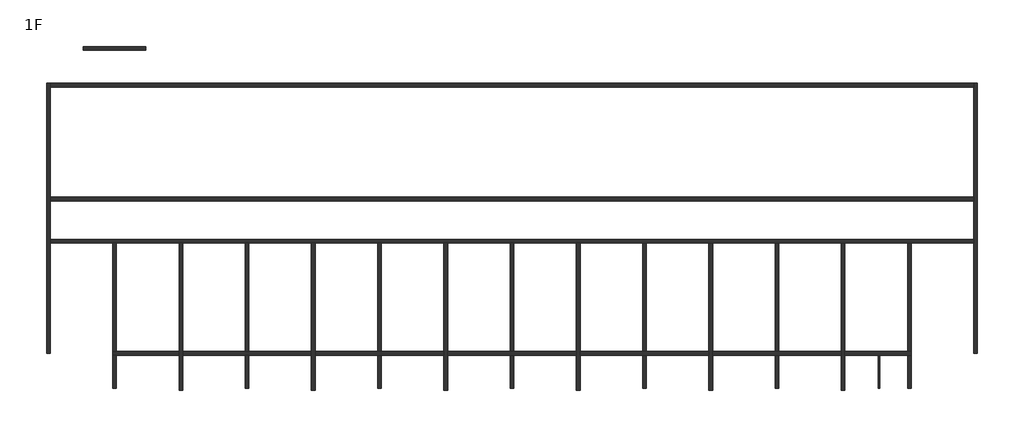
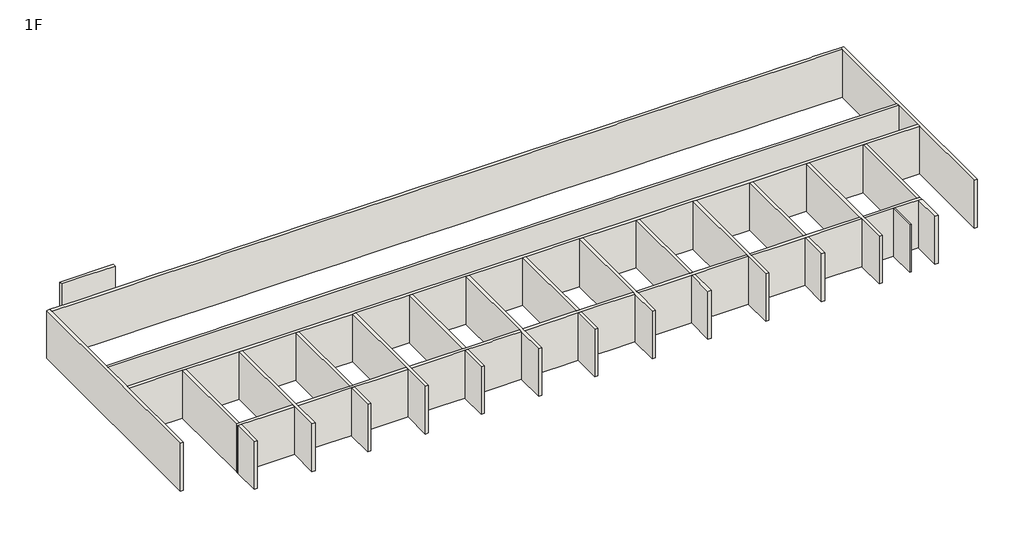
# One storey: 23 walls.
"""IFC4 building model written with IfcOpenShell, lengths in millimetres."""

from ifc_helpers import new_model, si_unit, origin, origin_with_axes, place, context, project, spatial, polyline, outline, extrude, faceted_brep, element, save

model = new_model("IFC4")

# Units and contexts
model_context = context("Model", 3, world=origin())
ifc_project = project(units=[si_unit("LENGTHUNIT", "METRE", prefix="MILLI")], contexts=[model_context])

# Site, building, storey
site = spatial("IfcSite", under=ifc_project)
building = spatial("IfcBuilding", under=site)
storey = spatial("IfcBuildingStorey", under=building, Name="1F", Elevation=0.0)

# Walls
placement = place(None, origin())
element("IfcWall", 1, at=placement, inside=storey, context=model_context, shape_type="Brep", body=[
    faceted_brep([(100.0, 6300.0, 0.0), (100.0, 12300.0, 0.0), (100.0, 12500.0, 0.0), (100.0, 14600.0, 0.0), (100.0, 14800.0, 0.0), (100.0, 20800.0, 0.0), (100.0, 21000.0, 0.0), (100.0, 21000.0, 3200.0082667), (100.0, 20800.0, 3200.0082667), (100.0, 14800.0, 3200.0082667), (100.0, 14600.0, 3200.0082667), (100.0, 12500.0, 3200.0082667), (100.0, 12300.0, 3200.0082667), (100.0, 6300.0, 3200.0082667), (-100.0, 6300.0, 0.0), (-100.0, 6300.0, 3200.0082667), (-100.0, 21000.0, 3200.0082667), (-100.0, 21000.0, 0.0)], [[[0, 1, 2, 3, 4, 5, 6, 7, 8, 9, 10, 11, 12, 13]], [[14, 15, 16, 17]], [[6, 5, 4, 3, 2, 1, 0, 14, 17]], [[13, 12, 11, 10, 9, 8, 7, 16, 15]], [[7, 6, 17, 16]], [[0, 13, 15, 14]]]),
])
element("IfcWall", 2, at=placement, inside=storey, context=model_context, shape_type="Brep", body=[
    faceted_brep([(7300.0, 4300.0, 0.0), (7300.0, 6200.0, 0.0), (7300.0, 6400.0, 0.0), (7300.0, 12300.0, 0.0), (7300.0, 12300.0, 3200.0082667), (7300.0, 6400.0, 3200.0082667), (7300.0, 6200.0, 3200.0082667), (7300.0, 4300.0, 3200.0082667), (7100.0, 4300.0, 0.0), (7100.0, 4300.0, 3200.0082667), (7100.0, 6200.0, 3200.0082667), (7100.0, 6400.0, 3200.0082667), (7100.0, 12300.0, 3200.0082667), (7100.0, 12300.0, 0.0), (7100.0, 6400.0, 0.0), (7100.0, 6200.0, 0.0)], [[[0, 1, 2, 3, 4, 5, 6, 7]], [[8, 9, 10, 11, 12, 13, 14, 15]], [[3, 2, 1, 0, 8, 15, 14, 13]], [[7, 6, 5, 4, 12, 11, 10, 9]], [[0, 7, 9, 8]], [[4, 3, 13, 12]]]),
])
element("IfcWall", 3, at=placement, inside=storey, context=model_context, shape_type="Brep", body=[
    faceted_brep([(14500.0, 4300.0, 0.0), (14500.0, 6200.0, 0.0), (14500.0, 6400.0, 0.0), (14500.0, 12300.0, 0.0), (14500.0, 12300.0, 3200.0082667), (14500.0, 6400.0, 3200.0082667), (14500.0, 6200.0, 3200.0082667), (14500.0, 4300.0, 3200.0082667), (14300.0, 4300.0, 0.0), (14300.0, 4300.0, 3200.0082667), (14300.0, 6200.0, 3200.0082667), (14300.0, 6400.0, 3200.0082667), (14300.0, 12300.0, 3200.0082667), (14300.0, 12300.0, 0.0), (14300.0, 6400.0, 0.0), (14300.0, 6200.0, 0.0)], [[[0, 1, 2, 3, 4, 5, 6, 7]], [[8, 9, 10, 11, 12, 13, 14, 15]], [[3, 2, 1, 0, 8, 15, 14, 13]], [[7, 6, 5, 4, 12, 11, 10, 9]], [[0, 7, 9, 8]], [[4, 3, 13, 12]]]),
])
element("IfcWall", 4, at=placement, inside=storey, context=model_context, shape_type="Brep", body=[
    faceted_brep([(21700.0, 4300.0, 0.0), (21700.0, 6200.0, 0.0), (21700.0, 6400.0, 0.0), (21700.0, 12300.0, 0.0), (21700.0, 12300.0, 3200.0082667), (21700.0, 6400.0, 3200.0082667), (21700.0, 6200.0, 3200.0082667), (21700.0, 4300.0, 3200.0082667), (21500.0, 4300.0, 0.0), (21500.0, 4300.0, 3200.0082667), (21500.0, 6200.0, 3200.0082667), (21500.0, 6400.0, 3200.0082667), (21500.0, 12300.0, 3200.0082667), (21500.0, 12300.0, 0.0), (21500.0, 6400.0, 0.0), (21500.0, 6200.0, 0.0)], [[[0, 1, 2, 3, 4, 5, 6, 7]], [[8, 9, 10, 11, 12, 13, 14, 15]], [[3, 2, 1, 0, 8, 15, 14, 13]], [[7, 6, 5, 4, 12, 11, 10, 9]], [[0, 7, 9, 8]], [[4, 3, 13, 12]]]),
])
element("IfcWall", 5, at=placement, inside=storey, context=model_context, shape_type="Brep", body=[
    faceted_brep([(28900.0, 4300.0, 0.0), (28900.0, 6200.0, 0.0), (28900.0, 6400.0, 0.0), (28900.0, 12300.0, 0.0), (28900.0, 12300.0, 3200.0082667), (28900.0, 6400.0, 3200.0082667), (28900.0, 6200.0, 3200.0082667), (28900.0, 4300.0, 3200.0082667), (28700.0, 4300.0, 0.0), (28700.0, 4300.0, 3200.0082667), (28700.0, 6200.0, 3200.0082667), (28700.0, 6400.0, 3200.0082667), (28700.0, 12300.0, 3200.0082667), (28700.0, 12300.0, 0.0), (28700.0, 6400.0, 0.0), (28700.0, 6200.0, 0.0)], [[[0, 1, 2, 3, 4, 5, 6, 7]], [[8, 9, 10, 11, 12, 13, 14, 15]], [[3, 2, 1, 0, 8, 15, 14, 13]], [[7, 6, 5, 4, 12, 11, 10, 9]], [[0, 7, 9, 8]], [[4, 3, 13, 12]]]),
])
element("IfcWall", 6, at=placement, inside=storey, context=model_context, shape_type="Brep", body=[
    faceted_brep([(36100.0, 4300.0, 0.0), (36100.0, 6200.0, 0.0), (36100.0, 6400.0, 0.0), (36100.0, 12300.0, 0.0), (36100.0, 12300.0, 3200.0082667), (36100.0, 6400.0, 3200.0082667), (36100.0, 6200.0, 3200.0082667), (36100.0, 4300.0, 3200.0082667), (35900.0, 4300.0, 0.0), (35900.0, 4300.0, 3200.0082667), (35900.0, 6200.0, 3200.0082667), (35900.0, 6400.0, 3200.0082667), (35900.0, 12300.0, 3200.0082667), (35900.0, 12300.0, 0.0), (35900.0, 6400.0, 0.0), (35900.0, 6200.0, 0.0)], [[[0, 1, 2, 3, 4, 5, 6, 7]], [[8, 9, 10, 11, 12, 13, 14, 15]], [[3, 2, 1, 0, 8, 15, 14, 13]], [[7, 6, 5, 4, 12, 11, 10, 9]], [[0, 7, 9, 8]], [[4, 3, 13, 12]]]),
])
element("IfcWall", 7, at=placement, inside=storey, context=model_context, shape_type="Brep", body=[
    faceted_brep([(43300.0, 4300.0, 0.0), (43300.0, 6200.0, 0.0), (43300.0, 6400.0, 0.0), (43300.0, 12300.0, 0.0), (43300.0, 12300.0, 3200.0082667), (43300.0, 6400.0, 3200.0082667), (43300.0, 6200.0, 3200.0082667), (43300.0, 4300.0, 3200.0082667), (43100.0, 4300.0, 0.0), (43100.0, 4300.0, 3200.0082667), (43100.0, 6200.0, 3200.0082667), (43100.0, 6400.0, 3200.0082667), (43100.0, 12300.0, 3200.0082667), (43100.0, 12300.0, 0.0), (43100.0, 6400.0, 0.0), (43100.0, 6200.0, 0.0)], [[[0, 1, 2, 3, 4, 5, 6, 7]], [[8, 9, 10, 11, 12, 13, 14, 15]], [[3, 2, 1, 0, 8, 15, 14, 13]], [[7, 6, 5, 4, 12, 11, 10, 9]], [[0, 7, 9, 8]], [[4, 3, 13, 12]]]),
])
element("IfcWall", 8, at=placement, inside=storey, context=model_context, shape_type="Brep", body=[
    faceted_brep([(50500.0, 6300.0, 0.0), (50500.0, 21000.0, 0.0), (50500.0, 21000.0, 3200.0082667), (50500.0, 6300.0, 3200.0082667), (50300.0, 6300.0, 0.0), (50300.0, 6300.0, 3200.0082667), (50300.0, 12300.0, 3200.0082667), (50300.0, 12500.0, 3200.0082667), (50300.0, 14600.0, 3200.0082667), (50300.0, 14800.0, 3200.0082667), (50300.0, 20800.0, 3200.0082667), (50300.0, 21000.0, 3200.0082667), (50300.0, 21000.0, 0.0), (50300.0, 20800.0, 0.0), (50300.0, 14800.0, 0.0), (50300.0, 14600.0, 0.0), (50300.0, 12500.0, 0.0), (50300.0, 12300.0, 0.0)], [[[0, 1, 2, 3]], [[4, 5, 6, 7, 8, 9, 10, 11, 12, 13, 14, 15, 16, 17]], [[1, 0, 4, 17, 16, 15, 14, 13, 12]], [[3, 2, 11, 10, 9, 8, 7, 6, 5]], [[2, 1, 12, 11]], [[0, 3, 5, 4]]]),
])
element("IfcWall", 9, at=placement, inside=storey, context=model_context, shape_type="Brep", body=[
    faceted_brep([(100.0, 12300.0, 0.0), (3500.0, 12300.0, 0.0), (3700.0, 12300.0, 0.0), (7100.0, 12300.0, 0.0), (7300.0, 12300.0, 0.0), (10700.0, 12300.0, 0.0), (10900.0, 12300.0, 0.0), (14300.0, 12300.0, 0.0), (14500.0, 12300.0, 0.0), (17900.0, 12300.0, 0.0), (18100.0, 12300.0, 0.0), (21500.0, 12300.0, 0.0), (21700.0, 12300.0, 0.0), (25100.0, 12300.0, 0.0), (25300.0, 12300.0, 0.0), (28700.0, 12300.0, 0.0), (28900.0, 12300.0, 0.0), (32300.0, 12300.0, 0.0), (32500.0, 12300.0, 0.0), (35900.0, 12300.0, 0.0), (36100.0, 12300.0, 0.0), (39500.0, 12300.0, 0.0), (39700.0, 12300.0, 0.0), (43100.0, 12300.0, 0.0), (43300.0, 12300.0, 0.0), (46700.0, 12300.0, 0.0), (46900.0, 12300.0, 0.0), (50300.0, 12300.0, 0.0), (50300.0, 12300.0, 3200.0082667), (46900.0, 12300.0, 3200.0082667), (46700.0, 12300.0, 3200.0082667), (43300.0, 12300.0, 3200.0082667), (43100.0, 12300.0, 3200.0082667), (39700.0, 12300.0, 3200.0082667), (39500.0, 12300.0, 3200.0082667), (36100.0, 12300.0, 3200.0082667), (35900.0, 12300.0, 3200.0082667), (32500.0, 12300.0, 3200.0082667), (32300.0, 12300.0, 3200.0082667), (28900.0, 12300.0, 3200.0082667), (28700.0, 12300.0, 3200.0082667), (25300.0, 12300.0, 3200.0082667), (25100.0, 12300.0, 3200.0082667), (21700.0, 12300.0, 3200.0082667), (21500.0, 12300.0, 3200.0082667), (18100.0, 12300.0, 3200.0082667), (17900.0, 12300.0, 3200.0082667), (14500.0, 12300.0, 3200.0082667), (14300.0, 12300.0, 3200.0082667), (10900.0, 12300.0, 3200.0082667), (10700.0, 12300.0, 3200.0082667), (7300.0, 12300.0, 3200.0082667), (7100.0, 12300.0, 3200.0082667), (3700.0, 12300.0, 3200.0082667), (3500.0, 12300.0, 3200.0082667), (100.0, 12300.0, 3200.0082667), (100.0, 12500.0, 0.0), (100.0, 12500.0, 3200.0082667), (50300.0, 12500.0, 3200.0082667), (50300.0, 12500.0, 0.0)], [[[0, 1, 2, 3, 4, 5, 6, 7, 8, 9, 10, 11, 12, 13, 14, 15, 16, 17, 18, 19, 20, 21, 22, 23, 24, 25, 26, 27, 28, 29, 30, 31, 32, 33, 34, 35, 36, 37, 38, 39, 40, 41, 42, 43, 44, 45, 46, 47, 48, 49, 50, 51, 52, 53, 54, 55]], [[56, 57, 58, 59]], [[27, 26, 25, 24, 23, 22, 21, 20, 19, 18, 17, 16, 15, 14, 13, 12, 11, 10, 9, 8, 7, 6, 5, 4, 3, 2, 1, 0, 56, 59]], [[55, 54, 53, 52, 51, 50, 49, 48, 47, 46, 45, 44, 43, 42, 41, 40, 39, 38, 37, 36, 35, 34, 33, 32, 31, 30, 29, 28, 58, 57]], [[0, 55, 57, 56]], [[28, 27, 59, 58]]]),
])
element("IfcWall", 10, at=placement, inside=storey, context=model_context, shape_type="Brep", body=[
    faceted_brep([(100.0, 14600.0, 0.0), (50300.0, 14600.0, 0.0), (50300.0, 14600.0, 3200.0082667), (100.0, 14600.0, 3200.0082667), (100.0, 14800.0, 0.0), (100.0, 14800.0, 3200.0082667), (3500.0, 14800.0, 3200.0082667), (3700.0, 14800.0, 3200.0082667), (7100.0, 14800.0, 3200.0082667), (7300.0, 14800.0, 3200.0082667), (10700.0, 14800.0, 3200.0082667), (10900.0, 14800.0, 3200.0082667), (14300.0, 14800.0, 3200.0082667), (14500.0, 14800.0, 3200.0082667), (17900.0, 14800.0, 3200.0082667), (18100.0, 14800.0, 3200.0082667), (21500.0, 14800.0, 3200.0082667), (21700.0, 14800.0, 3200.0082667), (25100.0, 14800.0, 3200.0082667), (25300.0, 14800.0, 3200.0082667), (28700.0, 14800.0, 3200.0082667), (28900.0, 14800.0, 3200.0082667), (32300.0, 14800.0, 3200.0082667), (32500.0, 14800.0, 3200.0082667), (35900.0, 14800.0, 3200.0082667), (36100.0, 14800.0, 3200.0082667), (39500.0, 14800.0, 3200.0082667), (39700.0, 14800.0, 3200.0082667), (43100.0, 14800.0, 3200.0082667), (43300.0, 14800.0, 3200.0082667), (46700.0, 14800.0, 3200.0082667), (46900.0, 14800.0, 3200.0082667), (50300.0, 14800.0, 3200.0082667), (50300.0, 14800.0, 0.0), (46900.0, 14800.0, 0.0), (46700.0, 14800.0, 0.0), (43300.0, 14800.0, 0.0), (43100.0, 14800.0, 0.0), (39700.0, 14800.0, 0.0), (39500.0, 14800.0, 0.0), (36100.0, 14800.0, 0.0), (35900.0, 14800.0, 0.0), (32500.0, 14800.0, 0.0), (32300.0, 14800.0, 0.0), (28900.0, 14800.0, 0.0), (28700.0, 14800.0, 0.0), (25300.0, 14800.0, 0.0), (25100.0, 14800.0, 0.0), (21700.0, 14800.0, 0.0), (21500.0, 14800.0, 0.0), (18100.0, 14800.0, 0.0), (17900.0, 14800.0, 0.0), (14500.0, 14800.0, 0.0), (14300.0, 14800.0, 0.0), (10900.0, 14800.0, 0.0), (10700.0, 14800.0, 0.0), (7300.0, 14800.0, 0.0), (7100.0, 14800.0, 0.0), (3700.0, 14800.0, 0.0), (3500.0, 14800.0, 0.0)], [[[0, 1, 2, 3]], [[4, 5, 6, 7, 8, 9, 10, 11, 12, 13, 14, 15, 16, 17, 18, 19, 20, 21, 22, 23, 24, 25, 26, 27, 28, 29, 30, 31, 32, 33, 34, 35, 36, 37, 38, 39, 40, 41, 42, 43, 44, 45, 46, 47, 48, 49, 50, 51, 52, 53, 54, 55, 56, 57, 58, 59]], [[1, 0, 4, 59, 58, 57, 56, 55, 54, 53, 52, 51, 50, 49, 48, 47, 46, 45, 44, 43, 42, 41, 40, 39, 38, 37, 36, 35, 34, 33]], [[3, 2, 32, 31, 30, 29, 28, 27, 26, 25, 24, 23, 22, 21, 20, 19, 18, 17, 16, 15, 14, 13, 12, 11, 10, 9, 8, 7, 6, 5]], [[0, 3, 5, 4]], [[2, 1, 33, 32]]]),
])
element("IfcWall", 11, at=placement, inside=storey, context=model_context, shape_type="Brep", body=[
    faceted_brep([(100.0, 20800.0, 0.0), (3500.0, 20800.0, 0.0), (3700.0, 20800.0, 0.0), (7100.0, 20800.0, 0.0), (7300.0, 20800.0, 0.0), (10700.0, 20800.0, 0.0), (10900.0, 20800.0, 0.0), (14300.0, 20800.0, 0.0), (14500.0, 20800.0, 0.0), (17900.0, 20800.0, 0.0), (18100.0, 20800.0, 0.0), (21500.0, 20800.0, 0.0), (21700.0, 20800.0, 0.0), (25100.0, 20800.0, 0.0), (25300.0, 20800.0, 0.0), (28700.0, 20800.0, 0.0), (28900.0, 20800.0, 0.0), (32300.0, 20800.0, 0.0), (32500.0, 20800.0, 0.0), (35900.0, 20800.0, 0.0), (36100.0, 20800.0, 0.0), (39500.0, 20800.0, 0.0), (39700.0, 20800.0, 0.0), (43100.0, 20800.0, 0.0), (43300.0, 20800.0, 0.0), (46700.0, 20800.0, 0.0), (46900.0, 20800.0, 0.0), (50300.0, 20800.0, 0.0), (50300.0, 20800.0, 3200.0082667), (46900.0, 20800.0, 3200.0082667), (46700.0, 20800.0, 3200.0082667), (43300.0, 20800.0, 3200.0082667), (43100.0, 20800.0, 3200.0082667), (39700.0, 20800.0, 3200.0082667), (39500.0, 20800.0, 3200.0082667), (36100.0, 20800.0, 3200.0082667), (35900.0, 20800.0, 3200.0082667), (32500.0, 20800.0, 3200.0082667), (32300.0, 20800.0, 3200.0082667), (28900.0, 20800.0, 3200.0082667), (28700.0, 20800.0, 3200.0082667), (25300.0, 20800.0, 3200.0082667), (25100.0, 20800.0, 3200.0082667), (21700.0, 20800.0, 3200.0082667), (21500.0, 20800.0, 3200.0082667), (18100.0, 20800.0, 3200.0082667), (17900.0, 20800.0, 3200.0082667), (14500.0, 20800.0, 3200.0082667), (14300.0, 20800.0, 3200.0082667), (10900.0, 20800.0, 3200.0082667), (10700.0, 20800.0, 3200.0082667), (7300.0, 20800.0, 3200.0082667), (7100.0, 20800.0, 3200.0082667), (3700.0, 20800.0, 3200.0082667), (3500.0, 20800.0, 3200.0082667), (100.0, 20800.0, 3200.0082667), (100.0, 21000.0, 0.0), (100.0, 21000.0, 3200.0082667), (1900.0, 21000.0, 3200.0082667), (2000.0, 21000.0, 3200.0082667), (3500.0, 21000.0, 3200.0082667), (3700.0, 21000.0, 3200.0082667), (5200.0, 21000.0, 3200.0082667), (5300.0, 21000.0, 3200.0082667), (7100.0, 21000.0, 3200.0082667), (7300.0, 21000.0, 3200.0082667), (9100.0, 21000.0, 3200.0082667), (9200.0, 21000.0, 3200.0082667), (10700.0, 21000.0, 3200.0082667), (10900.0, 21000.0, 3200.0082667), (12400.0, 21000.0, 3200.0082667), (12500.0, 21000.0, 3200.0082667), (14300.0, 21000.0, 3200.0082667), (14500.0, 21000.0, 3200.0082667), (16300.0, 21000.0, 3200.0082667), (16400.0, 21000.0, 3200.0082667), (17900.0, 21000.0, 3200.0082667), (18100.0, 21000.0, 3200.0082667), (19600.0, 21000.0, 3200.0082667), (19700.0, 21000.0, 3200.0082667), (21500.0, 21000.0, 3200.0082667), (21700.0, 21000.0, 3200.0082667), (23500.0, 21000.0, 3200.0082667), (23600.0, 21000.0, 3200.0082667), (25100.0, 21000.0, 3200.0082667), (25300.0, 21000.0, 3200.0082667), (26800.0, 21000.0, 3200.0082667), (26900.0, 21000.0, 3200.0082667), (28700.0, 21000.0, 3200.0082667), (28900.0, 21000.0, 3200.0082667), (30700.0, 21000.0, 3200.0082667), (30800.0, 21000.0, 3200.0082667), (32300.0, 21000.0, 3200.0082667), (32500.0, 21000.0, 3200.0082667), (34000.0, 21000.0, 3200.0082667), (34100.0, 21000.0, 3200.0082667), (35900.0, 21000.0, 3200.0082667), (36100.0, 21000.0, 3200.0082667), (37900.0, 21000.0, 3200.0082667), (38000.0, 21000.0, 3200.0082667), (39500.0, 21000.0, 3200.0082667), (39700.0, 21000.0, 3200.0082667), (41200.0, 21000.0, 3200.0082667), (41300.0, 21000.0, 3200.0082667), (43100.0, 21000.0, 3200.0082667), (43300.0, 21000.0, 3200.0082667), (45100.0, 21000.0, 3200.0082667), (45200.0, 21000.0, 3200.0082667), (46700.0, 21000.0, 3200.0082667), (46900.0, 21000.0, 3200.0082667), (48400.0, 21000.0, 3200.0082667), (48500.0, 21000.0, 3200.0082667), (50300.0, 21000.0, 3200.0082667), (50300.0, 21000.0, 0.0), (48500.0, 21000.0, 0.0), (48400.0, 21000.0, 0.0), (46900.0, 21000.0, 0.0), (46700.0, 21000.0, 0.0), (45200.0, 21000.0, 0.0), (45100.0, 21000.0, 0.0), (43300.0, 21000.0, 0.0), (43100.0, 21000.0, 0.0), (41300.0, 21000.0, 0.0), (41200.0, 21000.0, 0.0), (39700.0, 21000.0, 0.0), (39500.0, 21000.0, 0.0), (38000.0, 21000.0, 0.0), (37900.0, 21000.0, 0.0), (36100.0, 21000.0, 0.0), (35900.0, 21000.0, 0.0), (34100.0, 21000.0, 0.0), (34000.0, 21000.0, 0.0), (32500.0, 21000.0, 0.0), (32300.0, 21000.0, 0.0), (30800.0, 21000.0, 0.0), (30700.0, 21000.0, 0.0), (28900.0, 21000.0, 0.0), (28700.0, 21000.0, 0.0), (26900.0, 21000.0, 0.0), (26800.0, 21000.0, 0.0), (25300.0, 21000.0, 0.0), (25100.0, 21000.0, 0.0), (23600.0, 21000.0, 0.0), (23500.0, 21000.0, 0.0), (21700.0, 21000.0, 0.0), (21500.0, 21000.0, 0.0), (19700.0, 21000.0, 0.0), (19600.0, 21000.0, 0.0), (18100.0, 21000.0, 0.0), (17900.0, 21000.0, 0.0), (16400.0, 21000.0, 0.0), (16300.0, 21000.0, 0.0), (14500.0, 21000.0, 0.0), (14300.0, 21000.0, 0.0), (12500.0, 21000.0, 0.0), (12400.0, 21000.0, 0.0), (10900.0, 21000.0, 0.0), (10700.0, 21000.0, 0.0), (9200.0, 21000.0, 0.0), (9100.0, 21000.0, 0.0), (7300.0, 21000.0, 0.0), (7100.0, 21000.0, 0.0), (5300.0, 21000.0, 0.0), (5200.0, 21000.0, 0.0), (3700.0, 21000.0, 0.0), (3500.0, 21000.0, 0.0), (2000.0, 21000.0, 0.0), (1900.0, 21000.0, 0.0)], [[[0, 1, 2, 3, 4, 5, 6, 7, 8, 9, 10, 11, 12, 13, 14, 15, 16, 17, 18, 19, 20, 21, 22, 23, 24, 25, 26, 27, 28, 29, 30, 31, 32, 33, 34, 35, 36, 37, 38, 39, 40, 41, 42, 43, 44, 45, 46, 47, 48, 49, 50, 51, 52, 53, 54, 55]], [[56, 57, 58, 59, 60, 61, 62, 63, 64, 65, 66, 67, 68, 69, 70, 71, 72, 73, 74, 75, 76, 77, 78, 79, 80, 81, 82, 83, 84, 85, 86, 87, 88, 89, 90, 91, 92, 93, 94, 95, 96, 97, 98, 99, 100, 101, 102, 103, 104, 105, 106, 107, 108, 109, 110, 111, 112, 113, 114, 115, 116, 117, 118, 119, 120, 121, 122, 123, 124, 125, 126, 127, 128, 129, 130, 131, 132, 133, 134, 135, 136, 137, 138, 139, 140, 141, 142, 143, 144, 145, 146, 147, 148, 149, 150, 151, 152, 153, 154, 155, 156, 157, 158, 159, 160, 161, 162, 163, 164, 165, 166, 167]], [[27, 26, 25, 24, 23, 22, 21, 20, 19, 18, 17, 16, 15, 14, 13, 12, 11, 10, 9, 8, 7, 6, 5, 4, 3, 2, 1, 0, 56, 167, 166, 165, 164, 163, 162, 161, 160, 159, 158, 157, 156, 155, 154, 153, 152, 151, 150, 149, 148, 147, 146, 145, 144, 143, 142, 141, 140, 139, 138, 137, 136, 135, 134, 133, 132, 131, 130, 129, 128, 127, 126, 125, 124, 123, 122, 121, 120, 119, 118, 117, 116, 115, 114, 113]], [[55, 54, 53, 52, 51, 50, 49, 48, 47, 46, 45, 44, 43, 42, 41, 40, 39, 38, 37, 36, 35, 34, 33, 32, 31, 30, 29, 28, 112, 111, 110, 109, 108, 107, 106, 105, 104, 103, 102, 101, 100, 99, 98, 97, 96, 95, 94, 93, 92, 91, 90, 89, 88, 87, 86, 85, 84, 83, 82, 81, 80, 79, 78, 77, 76, 75, 74, 73, 72, 71, 70, 69, 68, 67, 66, 65, 64, 63, 62, 61, 60, 59, 58, 57]], [[0, 55, 57, 56]], [[28, 27, 113, 112]]]),
])
element("IfcWall", 12, at=placement, inside=storey, context=model_context, shape_type="Brep", body=[
    faceted_brep([(3700.0, 4400.0, 0.0), (3700.0, 6200.0, 0.0), (3700.0, 6200.0, 3200.0082667), (3700.0, 4400.0, 3200.0082667), (3500.0, 4400.0, 0.0), (3500.0, 4400.0, 3200.0082667), (3500.0, 6100.0, 3200.0082667), (3500.0, 6200.0, 3200.0082667), (3500.0, 6200.0, 0.0), (3500.0, 6100.0, 0.0)], [[[0, 1, 2, 3]], [[4, 5, 6, 7, 8, 9]], [[1, 0, 4, 9, 8]], [[3, 2, 7, 6, 5]], [[0, 3, 5, 4]], [[2, 1, 8, 7]]]),
])
element("IfcWall", 13, at=placement, inside=storey, context=model_context, shape_type="SweptSolid", body=[
    extrude(outline(polyline([(10900.0, 4400.0), (10700.0, 4400.0), (10700.0, 6200.0), (10900.0, 6200.0), (10900.0, 4400.0)])), origin_with_axes(), (0.0, 0.0, 1.0), 3200.0082667),
    extrude(outline(polyline([(10700.0, 12300.0), (10900.0, 12300.0), (10900.0, 6400.0), (10700.0, 6400.0), (10700.0, 12300.0)])), origin_with_axes(), (0.0, 0.0, 1.0), 3200.0082667),
])
element("IfcWall", 14, at=placement, inside=storey, context=model_context, shape_type="SweptSolid", body=[
    extrude(outline(polyline([(18100.0, 4400.0), (17900.0, 4400.0), (17900.0, 6200.0), (18100.0, 6200.0), (18100.0, 4400.0)])), origin_with_axes(), (0.0, 0.0, 1.0), 3200.0082667),
    extrude(outline(polyline([(17900.0, 12300.0), (18100.0, 12300.0), (18100.0, 6400.0), (17900.0, 6400.0), (17900.0, 12300.0)])), origin_with_axes(), (0.0, 0.0, 1.0), 3200.0082667),
])
element("IfcWall", 15, at=placement, inside=storey, context=model_context, shape_type="SweptSolid", body=[
    extrude(outline(polyline([(25300.0, 4400.0), (25100.0, 4400.0), (25100.0, 6200.0), (25300.0, 6200.0), (25300.0, 4400.0)])), origin_with_axes(), (0.0, 0.0, 1.0), 3200.0082667),
    extrude(outline(polyline([(25100.0, 12300.0), (25300.0, 12300.0), (25300.0, 6400.0), (25100.0, 6400.0), (25100.0, 12300.0)])), origin_with_axes(), (0.0, 0.0, 1.0), 3200.0082667),
])
element("IfcWall", 16, at=placement, inside=storey, context=model_context, shape_type="SweptSolid", body=[
    extrude(outline(polyline([(32500.0, 4400.0), (32300.0, 4400.0), (32300.0, 6200.0), (32500.0, 6200.0), (32500.0, 4400.0)])), origin_with_axes(), (0.0, 0.0, 1.0), 3200.0082667),
    extrude(outline(polyline([(32300.0, 12300.0), (32500.0, 12300.0), (32500.0, 6400.0), (32300.0, 6400.0), (32300.0, 12300.0)])), origin_with_axes(), (0.0, 0.0, 1.0), 3200.0082667),
])
element("IfcWall", 17, at=placement, inside=storey, context=model_context, shape_type="SweptSolid", body=[
    extrude(outline(polyline([(39700.0, 4400.0), (39500.0, 4400.0), (39500.0, 6200.0), (39700.0, 6200.0), (39700.0, 4400.0)])), origin_with_axes(), (0.0, 0.0, 1.0), 3200.0082667),
    extrude(outline(polyline([(39500.0, 12300.0), (39700.0, 12300.0), (39700.0, 6400.0), (39500.0, 6400.0), (39500.0, 12300.0)])), origin_with_axes(), (0.0, 0.0, 1.0), 3200.0082667),
])
element("IfcWall", 18, at=placement, inside=storey, context=model_context, shape_type="Brep", body=[
    faceted_brep([(46900.0, 4400.0, 0.0), (46900.0, 6100.0, 0.0), (46900.0, 6200.0, 0.0), (46900.0, 6200.0, 3200.0082667), (46900.0, 6100.0, 3200.0082667), (46900.0, 4400.0, 3200.0082667), (46700.0, 4400.0, 0.0), (46700.0, 4400.0, 3200.0082667), (46700.0, 6200.0, 3200.0082667), (46700.0, 6200.0, 0.0)], [[[0, 1, 2, 3, 4, 5]], [[6, 7, 8, 9]], [[2, 1, 0, 6, 9]], [[5, 4, 3, 8, 7]], [[0, 5, 7, 6]], [[3, 2, 9, 8]]]),
])
element("IfcWall", 19, at=placement, inside=storey, context=model_context, shape_type="Brep", body=[
    faceted_brep([(1900.0, 22800.0, 0.0), (2000.0, 22800.0, 0.0), (3500.0, 22800.0, 0.0), (3700.0, 22800.0, 0.0), (5200.0, 22800.0, 0.0), (5300.0, 22800.0, 0.0), (5300.0, 22800.0, 3200.0082667), (5200.0, 22800.0, 3200.0082667), (3700.0, 22800.0, 3200.0082667), (3500.0, 22800.0, 3200.0082667), (2000.0, 22800.0, 3200.0082667), (1900.0, 22800.0, 3200.0082667), (1900.0, 23000.0, 0.0), (1900.0, 23000.0, 3200.0082667), (5300.0, 23000.0, 3200.0082667), (5300.0, 23000.0, 0.0)], [[[0, 1, 2, 3, 4, 5, 6, 7, 8, 9, 10, 11]], [[12, 13, 14, 15]], [[5, 4, 3, 2, 1, 0, 12, 15]], [[11, 10, 9, 8, 7, 6, 14, 13]], [[6, 5, 15, 14]], [[0, 11, 13, 12]]]),
])
element("IfcWall", 20, at=placement, inside=storey, context=model_context, shape_type="SweptSolid", body=[
    extrude(outline(polyline([(3700.0, 12300.0), (3700.0, 6400.0), (3500.0, 6400.0), (3500.0, 12300.0), (3700.0, 12300.0)])), origin_with_axes(), (0.0, 0.0, 1.0), 3200.0082667),
])
element("IfcWall", 21, at=placement, inside=storey, context=model_context, shape_type="SweptSolid", body=[
    extrude(outline(polyline([(46900.0, 12300.0), (46900.0, 6400.0), (46700.0, 6400.0), (46700.0, 12300.0), (46900.0, 12300.0)])), origin_with_axes(), (0.0, 0.0, 1.0), 3200.0082667),
])
element("IfcWall", 22, at=placement, inside=storey, context=model_context, shape_type="Brep", body=[
    faceted_brep([(7300.0, 6200.0, 3200.0082667), (7300.0, 6200.0, 0.0), (9100.0, 6200.0, 0.0), (9200.0, 6200.0, 0.0), (10700.0, 6200.0, 0.0), (10900.0, 6200.0, 0.0), (12400.0, 6200.0, 0.0), (12500.0, 6200.0, 0.0), (14300.0, 6200.0, 0.0), (14300.0, 6200.0, 3200.0082667), (12500.0, 6200.0, 3200.0082667), (12400.0, 6200.0, 3200.0082667), (10900.0, 6200.0, 3200.0082667), (10700.0, 6200.0, 3200.0082667), (9200.0, 6200.0, 3200.0082667), (9100.0, 6200.0, 3200.0082667), (7300.0, 6400.0, 0.0), (7300.0, 6400.0, 3200.0082667), (10700.0, 6400.0, 3200.0082667), (10900.0, 6400.0, 3200.0082667), (14300.0, 6400.0, 3200.0082667), (14300.0, 6400.0, 0.0), (10900.0, 6400.0, 0.0), (10700.0, 6400.0, 0.0)], [[[0, 1, 2, 3, 4, 5, 6, 7, 8, 9, 10, 11, 12, 13, 14, 15]], [[16, 17, 18, 19, 20, 21, 22, 23]], [[1, 16, 23, 22, 21, 8, 7, 6, 5, 4, 3, 2]], [[17, 0, 15, 14, 13, 12, 11, 10, 9, 20, 19, 18]], [[1, 0, 17, 16]], [[9, 8, 21, 20]]]),
    faceted_brep([(14500.0, 6200.0, 3200.0082667), (14500.0, 6200.0, 0.0), (16300.0, 6200.0, 0.0), (16400.0, 6200.0, 0.0), (17900.0, 6200.0, 0.0), (18100.0, 6200.0, 0.0), (19600.0, 6200.0, 0.0), (19700.0, 6200.0, 0.0), (21500.0, 6200.0, 0.0), (21500.0, 6200.0, 3200.0082667), (19700.0, 6200.0, 3200.0082667), (19600.0, 6200.0, 3200.0082667), (18100.0, 6200.0, 3200.0082667), (17900.0, 6200.0, 3200.0082667), (16400.0, 6200.0, 3200.0082667), (16300.0, 6200.0, 3200.0082667), (14500.0, 6400.0, 0.0), (14500.0, 6400.0, 3200.0082667), (17900.0, 6400.0, 3200.0082667), (18100.0, 6400.0, 3200.0082667), (21500.0, 6400.0, 3200.0082667), (21500.0, 6400.0, 0.0), (18100.0, 6400.0, 0.0), (17900.0, 6400.0, 0.0)], [[[0, 1, 2, 3, 4, 5, 6, 7, 8, 9, 10, 11, 12, 13, 14, 15]], [[16, 17, 18, 19, 20, 21, 22, 23]], [[1, 16, 23, 22, 21, 8, 7, 6, 5, 4, 3, 2]], [[17, 0, 15, 14, 13, 12, 11, 10, 9, 20, 19, 18]], [[1, 0, 17, 16]], [[9, 8, 21, 20]]]),
    faceted_brep([(21700.0, 6200.0, 3200.0082667), (21700.0, 6200.0, 0.0), (23500.0, 6200.0, 0.0), (23600.0, 6200.0, 0.0), (25100.0, 6200.0, 0.0), (25300.0, 6200.0, 0.0), (26800.0, 6200.0, 0.0), (26900.0, 6200.0, 0.0), (28700.0, 6200.0, 0.0), (28700.0, 6200.0, 3200.0082667), (26900.0, 6200.0, 3200.0082667), (26800.0, 6200.0, 3200.0082667), (25300.0, 6200.0, 3200.0082667), (25100.0, 6200.0, 3200.0082667), (23600.0, 6200.0, 3200.0082667), (23500.0, 6200.0, 3200.0082667), (21700.0, 6400.0, 0.0), (21700.0, 6400.0, 3200.0082667), (25100.0, 6400.0, 3200.0082667), (25300.0, 6400.0, 3200.0082667), (28700.0, 6400.0, 3200.0082667), (28700.0, 6400.0, 0.0), (25300.0, 6400.0, 0.0), (25100.0, 6400.0, 0.0)], [[[0, 1, 2, 3, 4, 5, 6, 7, 8, 9, 10, 11, 12, 13, 14, 15]], [[16, 17, 18, 19, 20, 21, 22, 23]], [[1, 16, 23, 22, 21, 8, 7, 6, 5, 4, 3, 2]], [[17, 0, 15, 14, 13, 12, 11, 10, 9, 20, 19, 18]], [[1, 0, 17, 16]], [[9, 8, 21, 20]]]),
    faceted_brep([(28900.0, 6200.0, 3200.0082667), (28900.0, 6200.0, 0.0), (30700.0, 6200.0, 0.0), (30800.0, 6200.0, 0.0), (32300.0, 6200.0, 0.0), (32500.0, 6200.0, 0.0), (34000.0, 6200.0, 0.0), (34100.0, 6200.0, 0.0), (35900.0, 6200.0, 0.0), (35900.0, 6200.0, 3200.0082667), (34100.0, 6200.0, 3200.0082667), (34000.0, 6200.0, 3200.0082667), (32500.0, 6200.0, 3200.0082667), (32300.0, 6200.0, 3200.0082667), (30800.0, 6200.0, 3200.0082667), (30700.0, 6200.0, 3200.0082667), (28900.0, 6400.0, 0.0), (28900.0, 6400.0, 3200.0082667), (32300.0, 6400.0, 3200.0082667), (32500.0, 6400.0, 3200.0082667), (35900.0, 6400.0, 3200.0082667), (35900.0, 6400.0, 0.0), (32500.0, 6400.0, 0.0), (32300.0, 6400.0, 0.0)], [[[0, 1, 2, 3, 4, 5, 6, 7, 8, 9, 10, 11, 12, 13, 14, 15]], [[16, 17, 18, 19, 20, 21, 22, 23]], [[1, 16, 23, 22, 21, 8, 7, 6, 5, 4, 3, 2]], [[17, 0, 15, 14, 13, 12, 11, 10, 9, 20, 19, 18]], [[1, 0, 17, 16]], [[9, 8, 21, 20]]]),
    faceted_brep([(36100.0, 6200.0, 3200.0082667), (36100.0, 6200.0, 0.0), (37900.0, 6200.0, 0.0), (38000.0, 6200.0, 0.0), (39500.0, 6200.0, 0.0), (39700.0, 6200.0, 0.0), (41200.0, 6200.0, 0.0), (41300.0, 6200.0, 0.0), (43100.0, 6200.0, 0.0), (43100.0, 6200.0, 3200.0082667), (41300.0, 6200.0, 3200.0082667), (41200.0, 6200.0, 3200.0082667), (39700.0, 6200.0, 3200.0082667), (39500.0, 6200.0, 3200.0082667), (38000.0, 6200.0, 3200.0082667), (37900.0, 6200.0, 3200.0082667), (36100.0, 6400.0, 0.0), (36100.0, 6400.0, 3200.0082667), (39500.0, 6400.0, 3200.0082667), (39700.0, 6400.0, 3200.0082667), (43100.0, 6400.0, 3200.0082667), (43100.0, 6400.0, 0.0), (39700.0, 6400.0, 0.0), (39500.0, 6400.0, 0.0)], [[[0, 1, 2, 3, 4, 5, 6, 7, 8, 9, 10, 11, 12, 13, 14, 15]], [[16, 17, 18, 19, 20, 21, 22, 23]], [[1, 16, 23, 22, 21, 8, 7, 6, 5, 4, 3, 2]], [[17, 0, 15, 14, 13, 12, 11, 10, 9, 20, 19, 18]], [[1, 0, 17, 16]], [[9, 8, 21, 20]]]),
    faceted_brep([(3500.0, 6200.0, 0.0), (3700.0, 6200.0, 0.0), (5200.0, 6200.0, 0.0), (5300.0, 6200.0, 0.0), (7100.0, 6200.0, 0.0), (7100.0, 6200.0, 3200.0082667), (5300.0, 6200.0, 3200.0082667), (5200.0, 6200.0, 3200.0082667), (3700.0, 6200.0, 3200.0082667), (3500.0, 6200.0, 3200.0082667), (3500.0, 6400.0, 3200.0082667), (3700.0, 6400.0, 3200.0082667), (7100.0, 6400.0, 3200.0082667), (7100.0, 6400.0, 0.0), (3700.0, 6400.0, 0.0), (3500.0, 6400.0, 0.0), (3500.0, 6300.0, 0.0), (3500.0, 6300.0, 3200.0082667)], [[[0, 1, 2, 3, 4, 5, 6, 7, 8, 9]], [[10, 11, 12, 13, 14, 15]], [[4, 3, 2, 1, 0, 16, 15, 14, 13]], [[9, 8, 7, 6, 5, 12, 11, 10, 17]], [[5, 4, 13, 12]], [[0, 9, 17, 10, 15, 16]]]),
    faceted_brep([(46900.0, 6200.0, 0.0), (46900.0, 6200.0, 3200.0082667), (46700.0, 6200.0, 3200.0082667), (45200.0, 6200.0, 3200.0082667), (45100.0, 6200.0, 3200.0082667), (43300.0, 6200.0, 3200.0082667), (43300.0, 6200.0, 0.0), (45100.0, 6200.0, 0.0), (45200.0, 6200.0, 0.0), (46700.0, 6200.0, 0.0), (46900.0, 6400.0, 3200.0082667), (46900.0, 6400.0, 0.0), (46700.0, 6400.0, 0.0), (43300.0, 6400.0, 0.0), (43300.0, 6400.0, 3200.0082667), (46700.0, 6400.0, 3200.0082667), (46900.0, 6300.0, 0.0), (46900.0, 6300.0, 3200.0082667)], [[[0, 1, 2, 3, 4, 5, 6, 7, 8, 9]], [[10, 11, 12, 13, 14, 15]], [[11, 16, 0, 9, 8, 7, 6, 13, 12]], [[1, 17, 10, 15, 14, 5, 4, 3, 2]], [[6, 5, 14, 13]], [[1, 0, 16, 11, 10, 17]]]),
])
element("IfcWall", 23, at=placement, inside=storey, context=model_context, shape_type="SweptSolid", body=[
    extrude(outline(polyline([(45200.0, 6200.0), (45200.0, 4400.0), (45100.0, 4400.0), (45100.0, 6200.0), (45200.0, 6200.0)])), origin_with_axes(), (0.0, 0.0, 1.0), 3200.0),
])

save(model, "model.ifc")
